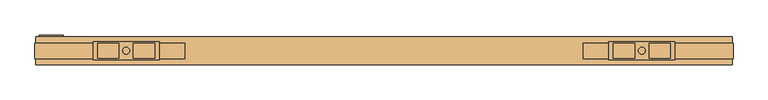
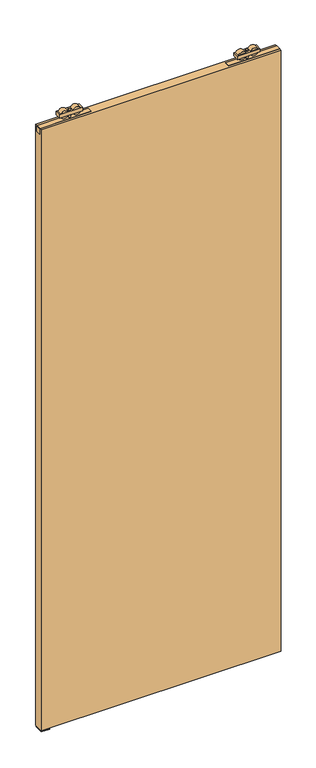
"""IFC4 building model written with IfcOpenShell, lengths in millimetres: door geometry."""

from ifc_helpers import new_model, si_unit, frame, origin, place, context, project, spatial, polyline, circle_curve, outline, extrude, source, transform, mapped, element, save
from ifc_brep_helpers import plane_surface, cylinder_surface, advanced_brep


def door_60f643c6(model_context):
    return source(origin(), model_context, "Body", "SolidModel", [
        advanced_brep(
        [(965.0, 5.75, 2687.5), (870.0, 5.75, 2687.5), (870.0, -20.25, 2687.5), (965.0, -20.25, 2687.5), (907.072332, -17.9531798, 2687.5), (876.78306, -17.9531798, 2687.5), (876.78306, 3.4531798, 2687.5), (907.072332, 3.4531798, 2687.5), (958.21694, -17.9531798, 2687.5), (927.927668, -17.9531798, 2687.5), (927.927668, 3.4531798, 2687.5), (958.21694, 3.4531798, 2687.5), (922.45, -7.25, 2687.5), (912.55, -7.25, 2687.5), (965.0, 5.75, 2672.5), (965.0, -20.25, 2672.5), (870.0, -20.25, 2672.5), (870.0, 5.75, 2672.5), (876.78306, -17.9531798, 2672.5), (907.072332, -17.9531798, 2672.5), (907.072332, 3.4531798, 2672.5), (876.78306, 3.4531798, 2672.5), (927.927668, -17.9531798, 2672.5), (958.21694, -17.9531798, 2672.5), (958.21694, 3.4531798, 2672.5), (927.927668, 3.4531798, 2672.5), (912.55, -7.25, 2672.5), (922.45, -7.25, 2672.5), (912.55, -7.25, 2693.0), (922.45, -7.25, 2693.0), (912.55, -7.25, 2656.0), (922.45, -7.25, 2656.0)],
        [
            (0, 1),
            (1, 2),
            (2, 3),
            (3, 0),
            (4, 5),
            (5, 6),
            (6, 7),
            (7, 4),
            (8, 9),
            (9, 10),
            (10, 11),
            (11, 8),
            (12, 13, circle_curve(frame((917.5, -7.25, 2687.5), z_axis=(0.0, 0.0, -1.0), x_axis=(1.0, 0.0, 0.0)), 4.95)),
            (13, 12, circle_curve(frame((917.5, -7.25, 2687.5), z_axis=(0.0, 0.0, -1.0), x_axis=(1.0, 0.0, 0.0)), 4.95)),
            (14, 15),
            (15, 16),
            (16, 17),
            (17, 14),
            (18, 19),
            (19, 20),
            (20, 21),
            (21, 18),
            (22, 23),
            (23, 24),
            (24, 25),
            (25, 22),
            (26, 27, circle_curve(frame((917.5, -7.25, 2672.5), z_axis=(0.0, 0.0, 1.0), x_axis=(1.0, 0.0, 0.0)), 4.95)),
            (27, 26, circle_curve(frame((917.5, -7.25, 2672.5), z_axis=(0.0, 0.0, 1.0), x_axis=(1.0, 0.0, 0.0)), 4.95)),
            (0, 14),
            (17, 1),
            (16, 2),
            (15, 3),
            (18, 19, circle_curve(frame((891.927696, -17.9531798, 2680.0), z_axis=(0.0, -1.0, 0.0), x_axis=(1.0, 0.0, 0.0)), 16.9)),
            (4, 5, circle_curve(frame((891.927696, -17.9531798, 2680.0), z_axis=(0.0, -1.0, 0.0), x_axis=(1.0, 0.0, 0.0)), 16.9)),
            (6, 7, circle_curve(frame((891.927696, 3.4531798, 2680.0), z_axis=(0.0, 1.0, 0.0), x_axis=(1.0, 0.0, 0.0)), 16.9)),
            (20, 21, circle_curve(frame((891.927696, 3.4531798, 2680.0), z_axis=(0.0, 1.0, 0.0), x_axis=(1.0, 0.0, 0.0)), 16.9)),
            (8, 9, circle_curve(frame((943.072304, -17.9531798, 2680.0), z_axis=(0.0, -1.0, 0.0), x_axis=(-1.0, 0.0, 0.0)), 16.9)),
            (22, 23, circle_curve(frame((943.072304, -17.9531798, 2680.0), z_axis=(0.0, -1.0, 0.0), x_axis=(-1.0, 0.0, 0.0)), 16.9)),
            (24, 25, circle_curve(frame((943.072304, 3.4531798, 2680.0), z_axis=(0.0, 1.0, 0.0), x_axis=(-1.0, 0.0, 0.0)), 16.9)),
            (10, 11, circle_curve(frame((943.072304, 3.4531798, 2680.0), z_axis=(0.0, 1.0, 0.0), x_axis=(-1.0, 0.0, 0.0)), 16.9)),
            (28, 29, circle_curve(frame((917.5, -7.25, 2693.0), z_axis=(0.0, 0.0, 1.0), x_axis=(1.0, 0.0, 0.0)), 4.95)),
            (29, 28, circle_curve(frame((917.5, -7.25, 2693.0), z_axis=(0.0, 0.0, 1.0), x_axis=(1.0, 0.0, 0.0)), 4.95)),
            (30, 31, circle_curve(frame((917.5, -7.25, 2656.0), z_axis=(0.0, 0.0, -1.0), x_axis=(1.0, 0.0, 0.0)), 4.95)),
            (31, 30, circle_curve(frame((917.5, -7.25, 2656.0), z_axis=(0.0, 0.0, -1.0), x_axis=(1.0, 0.0, 0.0)), 4.95)),
            (28, 13),
            (12, 29),
            (31, 27),
            (26, 30),
        ],
        [
            plane_surface(frame((870.0, 5.75, 2687.5), z_axis=(0.0, 0.0, 1.0), x_axis=(-1.0, 0.0, 0.0))),
            plane_surface(frame((870.0, 5.75, 2672.5), z_axis=(0.0, 0.0, -1.0), x_axis=(1.0, 0.0, 0.0))),
            plane_surface(frame((965.0, 5.75, 2687.5), z_axis=(0.0, 1.0, 0.0), x_axis=(0.0, 0.0, -1.0))),
            plane_surface(frame((870.0, 5.75, 2687.5), z_axis=(-1.0, 0.0, 0.0), x_axis=(0.0, 0.0, -1.0))),
            plane_surface(frame((870.0, -20.25, 2687.5), z_axis=(0.0, -1.0, 0.0), x_axis=(0.0, 0.0, -1.0))),
            plane_surface(frame((965.0, -20.25, 2687.5), z_axis=(1.0, 0.0, 0.0), x_axis=(0.0, 0.0, -1.0))),
            plane_surface(frame((908.827696, -17.9531798, 2680.0), z_axis=(0.0, -1.0, 0.0), x_axis=(0.0, 0.0, 1.0))),
            plane_surface(frame((908.827696, 3.4531798, 2680.0), z_axis=(0.0, 1.0, 0.0), x_axis=(0.0, 0.0, -1.0))),
            cylinder_surface(frame((891.927696, 3.4531798, 2680.0), z_axis=(0.0, -1.0, 0.0), x_axis=(1.0, 0.0, 0.0)), 16.9),
            plane_surface(frame((926.172304, -17.9531798, 2680.0), z_axis=(0.0, -1.0, 0.0), x_axis=(0.0, 0.0, -1.0))),
            plane_surface(frame((926.172304, 3.4531798, 2680.0), z_axis=(0.0, 1.0, 0.0), x_axis=(0.0, 0.0, 1.0))),
            cylinder_surface(frame((943.072304, 3.4531798, 2680.0), z_axis=(0.0, -1.0, 0.0), x_axis=(-1.0, 0.0, 0.0)), 16.9),
            plane_surface(frame((922.45, -7.25, 2693.0), z_axis=(0.0, 0.0, 1.0), x_axis=(0.0, 1.0, 0.0))),
            plane_surface(frame((922.45, -7.25, 2656.0), z_axis=(0.0, 0.0, -1.0), x_axis=(0.0, -1.0, 0.0))),
            cylinder_surface(frame((917.5, -7.25, 2656.0), z_axis=(0.0, 0.0, 1.0), x_axis=(1.0, 0.0, 0.0)), 4.95),
        ],
        [
            (0, [[1, 2, 3, 4], [5, 6, 7, 8], [9, 10, 11, 12], [13, 14]]),
            (1, [[15, 16, 17, 18], [19, 20, 21, 22], [23, 24, 25, 26], [27, 28]]),
            (2, [[-1, 29, -18, 30]]),
            (3, [[-2, -30, -17, 31]]),
            (4, [[-3, -31, -16, 32]]),
            (5, [[-4, -32, -15, -29]]),
            (6, [[33, -19]]),
            (6, [[34, -5]]),
            (7, [[35, -7]]),
            (7, [[36, -21]]),
            (8, [[-33, -22, -36, -20]]),
            (8, [[-34, -8, -35, -6]]),
            (9, [[37, -9]]),
            (9, [[38, -23]]),
            (10, [[39, -25]]),
            (10, [[40, -11]]),
            (11, [[-38, -26, -39, -24]]),
            (11, [[-37, -12, -40, -10]]),
            (12, [[41, 42]]),
            (13, [[43, 44]]),
            (14, [[-41, 45, -13, 46]]),
            (14, [[-44, 47, -27, 48]]),
            (14, [[-42, -46, -14, -45]]),
            (14, [[-43, -48, -28, -47]]),
        ],
    ),
        extrude(outline(polyline([(1048.5, -18.5074263), (833.5, -18.5074263), (833.5, 3.4925737), (1048.5, 3.4925737), (1048.5, -18.5074263)])), frame((0.0, 0.0, 2631.2), z_axis=(0.0, 0.0, 1.0), x_axis=(1.0, 0.0, 0.0)), (0.0, 0.0, 1.0), 24.8),
        advanced_brep(
        [(130.0, 5.75, 2687.5), (130.0, -20.25, 2687.5), (225.0, -20.25, 2687.5), (225.0, 5.75, 2687.5), (187.927668, -17.9531798, 2687.5), (187.927668, 3.4531798, 2687.5), (218.21694, 3.4531798, 2687.5), (218.21694, -17.9531798, 2687.5), (136.78306, -17.9531798, 2687.5), (136.78306, 3.4531798, 2687.5), (167.072332, 3.4531798, 2687.5), (167.072332, -17.9531798, 2687.5), (172.55, -7.25, 2687.5), (182.45, -7.25, 2687.5), (130.0, 5.75, 2672.5), (225.0, 5.75, 2672.5), (225.0, -20.25, 2672.5), (130.0, -20.25, 2672.5), (218.21694, -17.9531798, 2672.5), (218.21694, 3.4531798, 2672.5), (187.927668, 3.4531798, 2672.5), (187.927668, -17.9531798, 2672.5), (167.072332, -17.9531798, 2672.5), (167.072332, 3.4531798, 2672.5), (136.78306, 3.4531798, 2672.5), (136.78306, -17.9531798, 2672.5), (182.45, -7.25, 2672.5), (172.55, -7.25, 2672.5), (182.45, -7.25, 2693.0), (172.55, -7.25, 2693.0), (182.45, -7.25, 2656.0), (172.55, -7.25, 2656.0)],
        [
            (0, 1),
            (1, 2),
            (2, 3),
            (3, 0),
            (4, 5),
            (5, 6),
            (6, 7),
            (7, 4),
            (8, 9),
            (9, 10),
            (10, 11),
            (11, 8),
            (12, 13, circle_curve(frame((177.5, -7.25, 2687.5), z_axis=(0.0, 0.0, -1.0), x_axis=(-1.0, 0.0, 0.0)), 4.95)),
            (13, 12, circle_curve(frame((177.5, -7.25, 2687.5), z_axis=(0.0, 0.0, -1.0), x_axis=(-1.0, 0.0, 0.0)), 4.95)),
            (14, 15),
            (15, 16),
            (16, 17),
            (17, 14),
            (18, 19),
            (19, 20),
            (20, 21),
            (21, 18),
            (22, 23),
            (23, 24),
            (24, 25),
            (25, 22),
            (26, 27, circle_curve(frame((177.5, -7.25, 2672.5), z_axis=(0.0, 0.0, 1.0), x_axis=(-1.0, 0.0, 0.0)), 4.95)),
            (27, 26, circle_curve(frame((177.5, -7.25, 2672.5), z_axis=(0.0, 0.0, 1.0), x_axis=(-1.0, 0.0, 0.0)), 4.95)),
            (3, 15),
            (14, 0),
            (2, 16),
            (1, 17),
            (7, 4, circle_curve(frame((203.072304, -17.9531798, 2680.0), z_axis=(0.0, -1.0, 0.0), x_axis=(-1.0, 0.0, 0.0)), 16.9)),
            (21, 18, circle_curve(frame((203.072304, -17.9531798, 2680.0), z_axis=(0.0, -1.0, 0.0), x_axis=(-1.0, 0.0, 0.0)), 16.9)),
            (5, 6, circle_curve(frame((203.072304, 3.4531798, 2680.0), z_axis=(0.0, 1.0, 0.0), x_axis=(-1.0, 0.0, 0.0)), 16.9)),
            (19, 20, circle_curve(frame((203.072304, 3.4531798, 2680.0), z_axis=(0.0, 1.0, 0.0), x_axis=(-1.0, 0.0, 0.0)), 16.9)),
            (11, 8, circle_curve(frame((151.927696, -17.9531798, 2680.0), z_axis=(0.0, -1.0, 0.0), x_axis=(1.0, 0.0, 0.0)), 16.9)),
            (25, 22, circle_curve(frame((151.927696, -17.9531798, 2680.0), z_axis=(0.0, -1.0, 0.0), x_axis=(1.0, 0.0, 0.0)), 16.9)),
            (9, 10, circle_curve(frame((151.927696, 3.4531798, 2680.0), z_axis=(0.0, 1.0, 0.0), x_axis=(1.0, 0.0, 0.0)), 16.9)),
            (23, 24, circle_curve(frame((151.927696, 3.4531798, 2680.0), z_axis=(0.0, 1.0, 0.0), x_axis=(1.0, 0.0, 0.0)), 16.9)),
            (28, 29, circle_curve(frame((177.5, -7.25, 2693.0), z_axis=(0.0, 0.0, 1.0), x_axis=(-1.0, 0.0, 0.0)), 4.95)),
            (29, 28, circle_curve(frame((177.5, -7.25, 2693.0), z_axis=(0.0, 0.0, 1.0), x_axis=(-1.0, 0.0, 0.0)), 4.95)),
            (30, 31, circle_curve(frame((177.5, -7.25, 2656.0), z_axis=(0.0, 0.0, -1.0), x_axis=(-1.0, 0.0, 0.0)), 4.95)),
            (31, 30, circle_curve(frame((177.5, -7.25, 2656.0), z_axis=(0.0, 0.0, -1.0), x_axis=(-1.0, 0.0, 0.0)), 4.95)),
            (30, 26),
            (27, 31),
            (29, 12),
            (13, 28),
        ],
        [
            plane_surface(frame((225.0, 5.75, 2687.5), z_axis=(0.0, 0.0, 1.0), x_axis=(1.0, 0.0, 0.0))),
            plane_surface(frame((225.0, 5.75, 2672.5), z_axis=(0.0, 0.0, -1.0), x_axis=(-1.0, 0.0, 0.0))),
            plane_surface(frame((130.0, 5.75, 2687.5), z_axis=(0.0, 1.0, 0.0), x_axis=(0.0, 0.0, -1.0))),
            plane_surface(frame((225.0, 5.75, 2687.5), z_axis=(1.0, 0.0, 0.0), x_axis=(0.0, 0.0, -1.0))),
            plane_surface(frame((225.0, -20.25, 2687.5), z_axis=(0.0, -1.0, 0.0), x_axis=(0.0, 0.0, -1.0))),
            plane_surface(frame((130.0, -20.25, 2687.5), z_axis=(-1.0, 0.0, 0.0), x_axis=(0.0, 0.0, -1.0))),
            plane_surface(frame((186.172304, -17.9531798, 2680.0), z_axis=(0.0, -1.0, 0.0), x_axis=(0.0, 0.0, 1.0))),
            plane_surface(frame((186.172304, 3.4531798, 2680.0), z_axis=(0.0, 1.0, 0.0), x_axis=(0.0, 0.0, -1.0))),
            cylinder_surface(frame((203.072304, 3.4531798, 2680.0), z_axis=(0.0, -1.0, 0.0), x_axis=(-1.0, 0.0, 0.0)), 16.9),
            plane_surface(frame((168.827696, -17.9531798, 2680.0), z_axis=(0.0, -1.0, 0.0), x_axis=(0.0, 0.0, -1.0))),
            plane_surface(frame((168.827696, 3.4531798, 2680.0), z_axis=(0.0, 1.0, 0.0), x_axis=(0.0, 0.0, 1.0))),
            cylinder_surface(frame((151.927696, 3.4531798, 2680.0), z_axis=(0.0, -1.0, 0.0), x_axis=(1.0, 0.0, 0.0)), 16.9),
            plane_surface(frame((172.55, -7.25, 2693.0), z_axis=(0.0, 0.0, 1.0), x_axis=(0.0, 1.0, 0.0))),
            plane_surface(frame((172.55, -7.25, 2656.0), z_axis=(0.0, 0.0, -1.0), x_axis=(0.0, -1.0, 0.0))),
            cylinder_surface(frame((177.5, -7.25, 2656.0), z_axis=(0.0, 0.0, 1.0), x_axis=(-1.0, 0.0, 0.0)), 4.95),
        ],
        [
            (0, [[1, 2, 3, 4], [5, 6, 7, 8], [9, 10, 11, 12], [13, 14]]),
            (1, [[15, 16, 17, 18], [19, 20, 21, 22], [23, 24, 25, 26], [27, 28]]),
            (2, [[29, -15, 30, -4]]),
            (3, [[31, -16, -29, -3]]),
            (4, [[32, -17, -31, -2]]),
            (5, [[-30, -18, -32, -1]]),
            (6, [[-8, 33]]),
            (6, [[-22, 34]]),
            (7, [[-6, 35]]),
            (7, [[-20, 36]]),
            (8, [[-21, -36, -19, -34]]),
            (8, [[-7, -35, -5, -33]]),
            (9, [[-12, 37]]),
            (9, [[-26, 38]]),
            (10, [[-10, 39]]),
            (10, [[-24, 40]]),
            (11, [[-25, -40, -23, -38]]),
            (11, [[-11, -39, -9, -37]]),
            (12, [[41, 42]]),
            (13, [[43, 44]]),
            (14, [[45, -28, 46, -43]]),
            (14, [[47, -14, 48, -42]]),
            (14, [[-48, -13, -47, -41]]),
            (14, [[-46, -27, -45, -44]]),
        ],
    ),
        extrude(outline(polyline([(46.5, -18.5074263), (46.5, 3.4925737), (261.5, 3.4925737), (261.5, -18.5074263), (46.5, -18.5074263)])), frame((0.0, 0.0, 2631.2), z_axis=(0.0, 0.0, 1.0), x_axis=(1.0, 0.0, 0.0)), (0.0, 0.0, 1.0), 24.8),
        extrude(outline(polyline([(47.5, 12.75), (1047.5, 12.75), (1047.5, -27.25), (47.5, -27.25), (47.5, 12.75)])), frame((0.0, 0.0, 10.0), z_axis=(0.0, 0.0, 1.0), x_axis=(1.0, 0.0, 0.0)), (0.0, 0.0, 1.0), 2646.0),
        extrude(outline(polyline([(15.3483682, 2.0), (15.3483682, 0.0), (-21.25, 0.0), (-21.25, 2.0), (-7.25, 2.0), (-7.25, 26.0), (1.6516318, 26.0), (1.6516318, 2.0), (15.3483682, 2.0)])), frame((52.5, 0.0, 0.0), z_axis=(1.0, 0.0, 0.0), x_axis=(0.0, 1.0, 0.0)), (0.0, 0.0, 1.0), 35.0),
    ])


if __name__ == "__main__":
    model = new_model("IFC4")
    model_context = context("Model", 3, world=origin())
    ifc_project = project(units=[si_unit("LENGTHUNIT", "METRE", prefix="MILLI")], contexts=[model_context])
    site = spatial("IfcSite", under=ifc_project)
    building = spatial("IfcBuilding", under=site)
    placement = place(None, origin())
    door_shape = door_60f643c6(model_context)
    element("IfcDoor", 1, at=placement, inside=building, context=model_context, shape_type="MappedRepresentation", body=[
        mapped(door_shape, transform((0.0, 0.0, 0.0), x_axis=(1.0, 0.0, 0.0), y_axis=(0.0, 1.0, 0.0), z_axis=(0.0, 0.0, 1.0))),
    ])
    save(model, "model.ifc")
